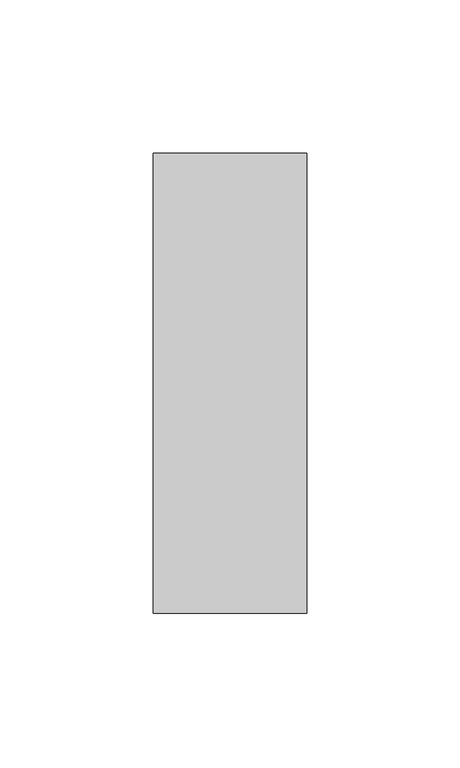
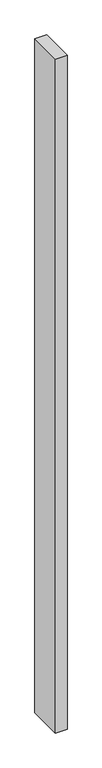
"""IFC4 building model written with IfcOpenShell, lengths in millimetres: member geometry."""

from ifc_helpers import new_model, si_unit, frame, origin, place, context, project, spatial, polyline, outline, extrude, source, transform, mapped, element, save


def member_c1569bdb(model_context):
    return source(origin(), model_context, "Body", "SweptSolid", [
        extrude(outline(polyline([(25.0, 75.0), (25.0, -75.0), (-25.0, -75.0), (-25.0, 75.0), (25.0, 75.0)])), frame((0.0, 0.0, -3025.0), z_axis=(0.0, 0.0, 1.0), x_axis=(1.0, 0.0, 0.0)), (0.0, 0.0, 1.0), 3025.0),
    ])


if __name__ == "__main__":
    model = new_model("IFC4")
    model_context = context("Model", 3, world=origin())
    ifc_project = project(units=[si_unit("LENGTHUNIT", "METRE", prefix="MILLI")], contexts=[model_context])
    site = spatial("IfcSite", under=ifc_project)
    building = spatial("IfcBuilding", under=site)
    placement = place(None, origin())
    member_shape = member_c1569bdb(model_context)
    element("IfcMember", 1, at=placement, inside=building, context=model_context, shape_type="MappedRepresentation", body=[
        mapped(member_shape, transform((0.0, 0.0, 0.0), x_axis=(1.0, 0.0, 0.0), y_axis=(0.0, 1.0, 0.0), z_axis=(0.0, 0.0, 1.0))),
    ])
    save(model, "model.ifc")
